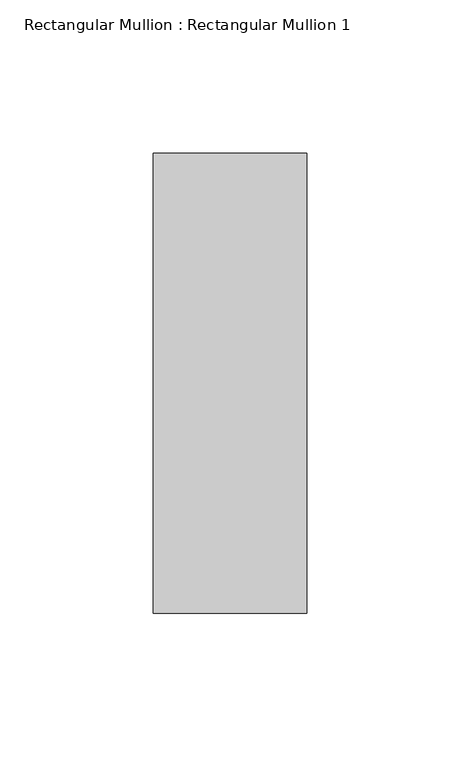
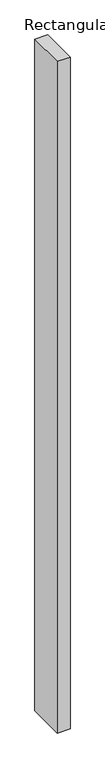
"""IFC4 building model written with IfcOpenShell, lengths in millimetres: member geometry, Rectangular Mullion : Rectangular Mullion 1."""

from ifc_helpers import new_model, si_unit, frame, origin, place, context, project, spatial, polyline, outline, extrude, source, transform, mapped, element, save


def rectangular_mullion_rectangular_mullion_1_996ede45(model_context):
    return source(origin(), model_context, "Body", "SweptSolid", [
        extrude(outline(polyline([(25.0, 75.0), (25.0, -75.0), (-25.0, -75.0), (-25.0, 75.0), (25.0, 75.0)])), frame((0.0, 0.0, -2764.6565351), z_axis=(0.0, 0.0, 1.0), x_axis=(1.0, 0.0, 0.0)), (0.0, 0.0, 1.0), 2764.6565351),
    ])


if __name__ == "__main__":
    model = new_model("IFC4")
    model_context = context("Model", 3, world=origin())
    ifc_project = project(units=[si_unit("LENGTHUNIT", "METRE", prefix="MILLI")], contexts=[model_context])
    site = spatial("IfcSite", under=ifc_project)
    building = spatial("IfcBuilding", under=site)
    placement = place(None, origin())
    rectangular_mullion_rectangular_mullion_1_shape = rectangular_mullion_rectangular_mullion_1_996ede45(model_context)
    element("IfcMember", 1, ObjectType="Rectangular Mullion : Rectangular Mullion 1", at=placement, inside=building, context=model_context, shape_type="MappedRepresentation", body=[
        mapped(rectangular_mullion_rectangular_mullion_1_shape, transform((0.0, 0.0, 0.0), x_axis=(1.0, 0.0, 0.0), y_axis=(0.0, 1.0, 0.0), z_axis=(0.0, 0.0, 1.0))),
    ])
    save(model, "model.ifc")
